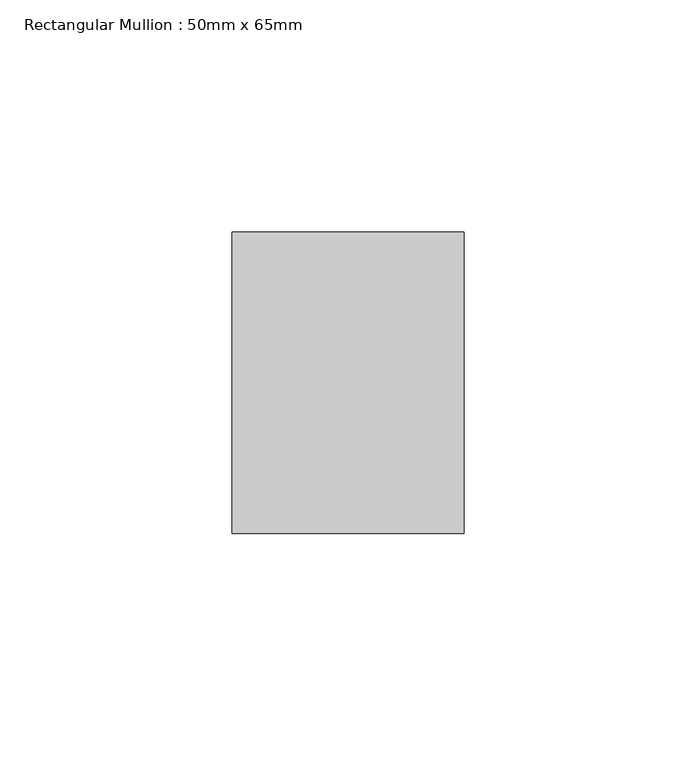
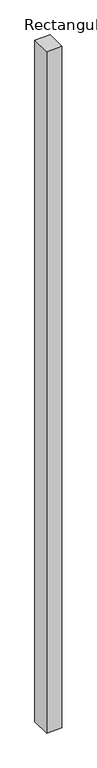
"""IFC4 building model written with IfcOpenShell, lengths in millimetres: member geometry, Rectangular Mullion : 50mm x 65mm."""

from ifc_helpers import new_model, si_unit, frame, origin, place, context, project, spatial, polyline, outline, extrude, source, transform, mapped, element, save


def rectangular_mullion_50mm_x_65mm_398775af(model_context):
    return source(origin(), model_context, "Body", "SweptSolid", [
        extrude(outline(polyline([(25.0, 32.5), (25.0, -32.5), (-25.0, -32.5), (-25.0, 32.5), (25.0, 32.5)])), frame((0.0, 0.0, -2332.1776818), z_axis=(0.0, 0.0, 1.0), x_axis=(1.0, 0.0, 0.0)), (0.0, 0.0, 1.0), 2332.1776818),
    ])


if __name__ == "__main__":
    model = new_model("IFC4")
    model_context = context("Model", 3, world=origin())
    ifc_project = project(units=[si_unit("LENGTHUNIT", "METRE", prefix="MILLI")], contexts=[model_context])
    site = spatial("IfcSite", under=ifc_project)
    building = spatial("IfcBuilding", under=site)
    placement = place(None, origin())
    rectangular_mullion_50mm_x_65mm_shape = rectangular_mullion_50mm_x_65mm_398775af(model_context)
    element("IfcMember", 1, ObjectType="Rectangular Mullion : 50mm x 65mm", at=placement, inside=building, context=model_context, shape_type="MappedRepresentation", body=[
        mapped(rectangular_mullion_50mm_x_65mm_shape, transform((0.0, 0.0, 0.0), x_axis=(1.0, 0.0, 0.0), y_axis=(0.0, 1.0, 0.0), z_axis=(0.0, 0.0, 1.0))),
    ])
    save(model, "model.ifc")
